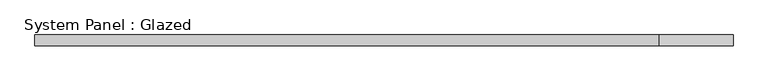
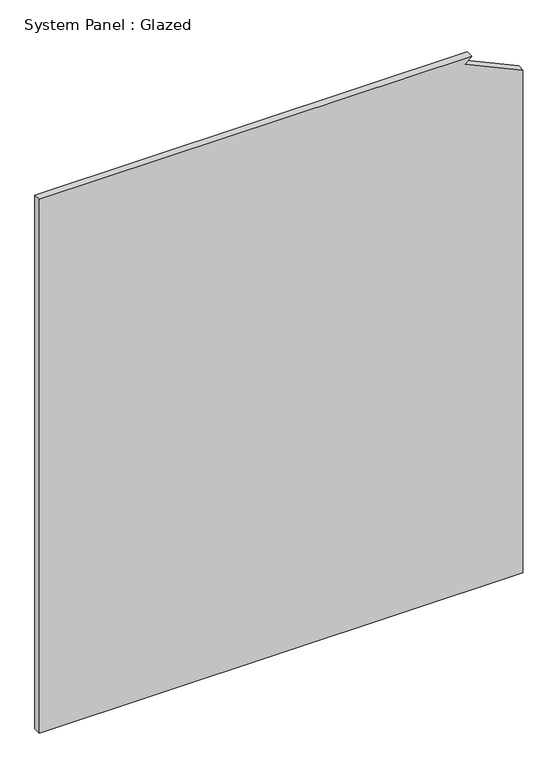
"""IFC4 building model written with IfcOpenShell, lengths in millimetres: plate geometry, System Panel : Glazed."""

from ifc_helpers import new_model, si_unit, frame, origin, place, context, project, spatial, polyline, outline, extrude, source, transform, mapped, element, save


def system_panel_glazed_23324972(model_context):
    return source(origin(), model_context, "Body", "SweptSolid", [
        extrude(outline(polyline([(0.0, -808.6842105), (0.0, 808.6842105), (1776.884256, 808.6842105), (1866.3095433, 615.9158712), (1886.6666667, 636.9570536), (1886.6666667, -808.6842105), (0.0, -808.6842105)])), frame((0.0, 52.5, 0.0), z_axis=(0.0, 1.0, 0.0), x_axis=(0.0, 0.0, 1.0)), (0.0, 0.0, 1.0), 25.0),
    ])


if __name__ == "__main__":
    model = new_model("IFC4")
    model_context = context("Model", 3, world=origin())
    ifc_project = project(units=[si_unit("LENGTHUNIT", "METRE", prefix="MILLI")], contexts=[model_context])
    site = spatial("IfcSite", under=ifc_project)
    building = spatial("IfcBuilding", under=site)
    placement = place(None, origin())
    system_panel_glazed_shape = system_panel_glazed_23324972(model_context)
    element("IfcPlate", 1, ObjectType="System Panel : Glazed", at=placement, inside=building, context=model_context, shape_type="MappedRepresentation", body=[
        mapped(system_panel_glazed_shape, transform((0.0, 0.0, 0.0), x_axis=(1.0, 0.0, 0.0), y_axis=(0.0, 1.0, 0.0), z_axis=(0.0, 0.0, 1.0))),
    ])
    save(model, "model.ifc")
